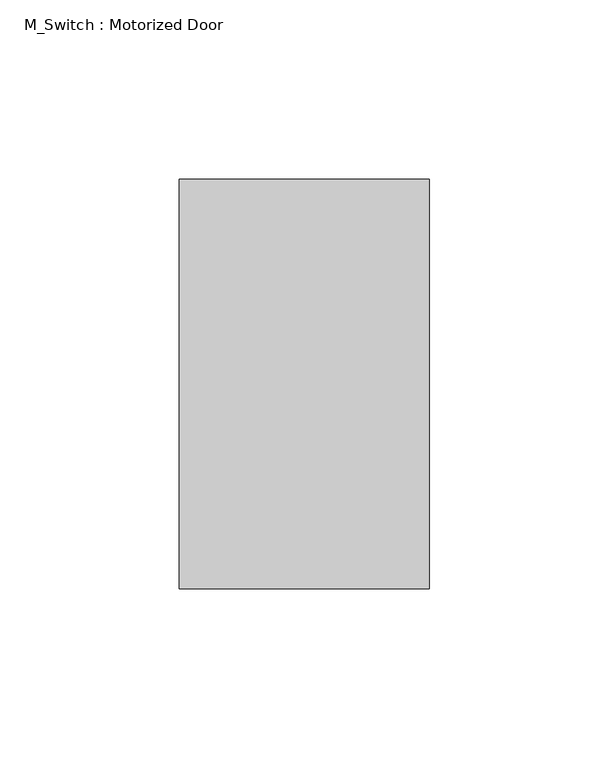
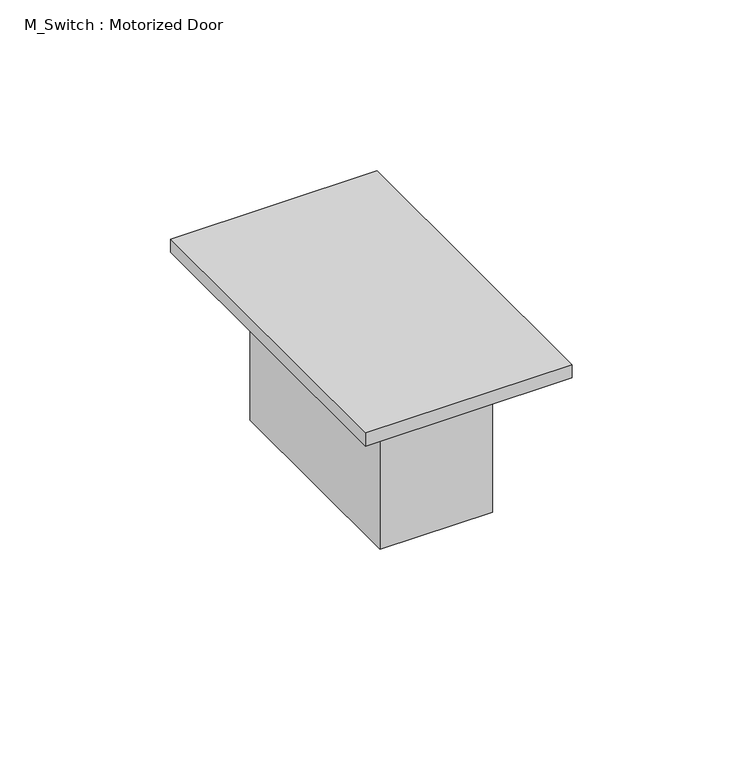
"""IFC4 building model written with IfcOpenShell, lengths in millimetres: proxy geometry, M_Switch : Motorized Door."""

import ifcopenshell
import ifcopenshell.guid

model = None  # the IFC model being written
_history = None  # IfcOwnerHistory: only IFC2X3 demands one
_inside = {}  # id of a spatial element -> (the spatial element, [elements in it])
_under = {}  # id of a project, library or spatial element -> (it, [spatial elements below it])
_declared = {}  # id of a project -> (the project, [libraries it declares])
_typed = {}  # id of a type object -> (the type object, [elements of that type])
_made_of = {}  # id of a material, layer set ... -> (it, [elements and type objects made of it])


def new_model(schema):
    """Start an empty IFC model of exactly this schema.

    Asked for "IFC4X3", IfcOpenShell would pick the latest addendum, in which some entities
    have other attributes; the version numbers below select the first issue.
    IFC2X3 requires an IfcOwnerHistory on every rooted entity: one is made here for all.
    """
    global model, _history
    if schema == "IFC4X3":
        model = ifcopenshell.file(schema_version=(4, 3, 0, 0))
    else:
        model = ifcopenshell.file(schema=schema)
    _inside.clear()
    _under.clear()
    _declared.clear()
    _typed.clear()
    _made_of.clear()
    _history = None
    if model.schema == "IFC2X3":
        org = make("IfcOrganization", Name="unknown")
        user = make(
            "IfcPersonAndOrganization",
            ThePerson=make("IfcPerson", FamilyName="unknown"),
            TheOrganization=org,
        )
        app = make(
            "IfcApplication",
            ApplicationDeveloper=org,
            Version="unknown",
            ApplicationFullName="unknown",
            ApplicationIdentifier="unknown",
        )
        _history = make(
            "IfcOwnerHistory",
            OwningUser=user,
            OwningApplication=app,
            ChangeAction="ADDED",
            CreationDate=0,
        )
    return model


def make(cls, **values):
    """One entity of the class cls with the attributes given. An attribute that is None is left unset."""
    return model.create_entity(
        cls, **{name: value for name, value in values.items() if value is not None}
    )


def rooted(cls, **values):
    """An entity with a GlobalId (a new one), such as an element, a storey or a relation."""
    return make(cls, GlobalId=ifcopenshell.guid.new(), OwnerHistory=_history, **values)


def si_unit(unit_type, name, prefix=None):
    """IfcSIUnit, for example si_unit("LENGTHUNIT", "METRE", prefix="MILLI")."""
    return make("IfcSIUnit", UnitType=unit_type, Prefix=prefix, Name=name)


def assignment(units):
    """IfcUnitAssignment: the units of a project."""
    return None if units is None else make("IfcUnitAssignment", Units=units)


def point(xyz):
    """IfcCartesianPoint."""
    return None if xyz is None else make("IfcCartesianPoint", Coordinates=xyz)


def direction(xyz):
    """IfcDirection."""
    return None if xyz is None else make("IfcDirection", DirectionRatios=xyz)


def frame(location, z_axis=None, x_axis=None):
    """IfcAxis2Placement3D, a coordinate frame: its origin and axes. An axis left out is left unset."""
    return make(
        "IfcAxis2Placement3D",
        Location=point(location),
        Axis=direction(z_axis),
        RefDirection=direction(x_axis),
    )


def origin():
    """The frame at (0, 0, 0) with its axes left unset."""
    return frame((0.0, 0.0, 0.0))


def origin_with_axes():
    """The frame at (0, 0, 0) with the z axis (0, 0, 1) and the x axis (1, 0, 0) written out."""
    return frame((0.0, 0.0, 0.0), z_axis=(0.0, 0.0, 1.0), x_axis=(1.0, 0.0, 0.0))


def place(relative_to, where):
    """IfcLocalPlacement: puts the frame where relative to a parent placement (None: the world)."""
    return make(
        "IfcLocalPlacement", PlacementRelTo=relative_to, RelativePlacement=where
    )


def context(
    kind, dimensions, precision=None, world=None, true_north=None, identifier=None
):
    """IfcGeometricRepresentationContext, for example the 3D "Model" context."""
    return make(
        "IfcGeometricRepresentationContext",
        ContextIdentifier=identifier,
        ContextType=kind,
        CoordinateSpaceDimension=dimensions,
        Precision=precision,
        WorldCoordinateSystem=world,
        TrueNorth=true_north,
    )


def project(units=None, contexts=None):
    """IfcProject with its units and contexts."""
    return rooted(
        "IfcProject",
        Name="project",
        RepresentationContexts=contexts,
        UnitsInContext=assignment(units),
    )


def spatial(cls, under=None, at=None, **own):
    """A site, building, storey or space (cls), placed at a placement, below another one or the project."""
    s = rooted(cls, ObjectPlacement=at, **own)
    if under is not None:
        _under.setdefault(under.id(), (under, []))[1].append(s)
    return s


def polyline(points):
    """IfcPolyline through the points."""
    return make("IfcPolyline", Points=[point(p) for p in points])


def outline(outer, holes=None, kind="AREA"):
    """IfcArbitraryClosedProfileDef: a profile drawn as a closed curve; with holes, ...WithVoids."""
    if holes is None:
        return make("IfcArbitraryClosedProfileDef", ProfileType=kind, OuterCurve=outer)
    return make(
        "IfcArbitraryProfileDefWithVoids",
        ProfileType=kind,
        OuterCurve=outer,
        InnerCurves=holes,
    )


def extrude(swept, where, along, depth):
    """IfcExtrudedAreaSolid: the profile swept, set in the frame where, extruded along a direction by depth."""
    return make(
        "IfcExtrudedAreaSolid",
        SweptArea=swept,
        Position=where,
        ExtrudedDirection=direction(along),
        Depth=depth,
    )


def shape(context_of_items, identifier, shape_type, items):
    """IfcShapeRepresentation: the items that make up one representation, for example the "Body"."""
    return make(
        "IfcShapeRepresentation",
        ContextOfItems=context_of_items,
        RepresentationIdentifier=identifier,
        RepresentationType=shape_type,
        Items=items,
    )


def source(mapping_origin, context_of_items, identifier, shape_type, items):
    """IfcRepresentationMap: a shape defined once, which mapped items show again and again."""
    return make(
        "IfcRepresentationMap",
        MappingOrigin=mapping_origin,
        MappedRepresentation=shape(context_of_items, identifier, shape_type, items),
    )


def transform(
    local_origin,
    x_axis=None,
    y_axis=None,
    z_axis=None,
    scale=None,
    scale2=None,
    scale3=None,
    uniform=True,
):
    """IfcCartesianTransformationOperator3D, or its non-uniform kind. x_axis, y_axis, z_axis: its Axis1, 2, 3."""
    if uniform:
        return make(
            "IfcCartesianTransformationOperator3D",
            Axis1=direction(x_axis),
            Axis2=direction(y_axis),
            LocalOrigin=point(local_origin),
            Scale=scale,
            Axis3=direction(z_axis),
        )
    return make(
        "IfcCartesianTransformationOperator3DnonUniform",
        Axis1=direction(x_axis),
        Axis2=direction(y_axis),
        LocalOrigin=point(local_origin),
        Scale=scale,
        Axis3=direction(z_axis),
        Scale2=scale2,
        Scale3=scale3,
    )


def mapped(mapping_source, mapping_target):
    """IfcMappedItem: shows the shape of a source again, moved by a transform."""
    return make(
        "IfcMappedItem", MappingSource=mapping_source, MappingTarget=mapping_target
    )


def made_of(thing, what):
    """Note that an element or type object is made of a material, layer set ...; save() writes the relation."""
    if what is not None:
        _made_of.setdefault(what.id(), (what, []))[1].append(thing)
    return thing


def element(
    cls,
    number,
    at=None,
    inside=None,
    cuts=None,
    type_object=None,
    material=None,
    context=None,
    identifier="Body",
    shape_type=None,
    held_by="IfcProductDefinitionShape",
    body=None,
    shapes=None,
    **own,
):
    """One element of the class cls, such as IfcWall. Its Tag is "e" and its number.

    at: its placement. inside: the storey or other place that contains it. cuts: it is an
    opening in that element (IfcRelVoidsElement). A single representation is given by context,
    identifier, shape_type and body (its items); several are given by shapes. held_by: the class
    of the entity that holds the representations. save() writes the other relations.
    """
    e = rooted(cls, Tag="e%d" % number, ObjectPlacement=at, **own)
    if body is not None:
        shapes = [shape(context, identifier, shape_type, body)]
    if shapes is not None:
        e.Representation = make(held_by, Representations=shapes)
    if inside is not None:
        _inside.setdefault(inside.id(), (inside, []))[1].append(e)
    if cuts is not None:
        rooted(
            "IfcRelVoidsElement", RelatingBuildingElement=cuts, RelatedOpeningElement=e
        )
    if type_object is not None:
        _typed.setdefault(type_object.id(), (type_object, []))[1].append(e)
    return made_of(e, material)


def aggregate(whole, parts):
    """IfcRelAggregates: a whole, such as a stair, and the parts it consists of."""
    return rooted("IfcRelAggregates", RelatingObject=whole, RelatedObjects=parts)


def save(model, path):
    """Write the relations noted so far, then the file.

    IfcRelAggregates (storeys below a building ...), IfcRelContainedInSpatialStructure (elements
    in a storey), IfcRelDefinesByType, IfcRelAssociatesMaterial and IfcRelDeclares: one each for
    every whole, place, type object, material and project.
    """
    for whole, parts in _under.values():
        aggregate(whole, parts)
    for where, things in _inside.values():
        rooted(
            "IfcRelContainedInSpatialStructure",
            RelatedElements=things,
            RelatingStructure=where,
        )
    for kind, things in _typed.values():
        rooted("IfcRelDefinesByType", RelatedObjects=things, RelatingType=kind)
    for what, things in _made_of.values():
        rooted("IfcRelAssociatesMaterial", RelatedObjects=things, RelatingMaterial=what)
    for by, libraries in _declared.values():
        rooted("IfcRelDeclares", RelatingContext=by, RelatedDefinitions=libraries)
    model.write(path)


def m_switch_motorized_door_10251bba(model_context):
    return source(origin(), model_context, "Body", "SweptSolid", [
        extrude(outline(polyline([(19.05, 38.1), (19.05, -38.1), (-19.05, -38.1), (-19.05, 38.1), (19.05, 38.1)])), frame((0.0, 0.0, -53.975), z_axis=(0.0, 0.0, 1.0), x_axis=(1.0, 0.0, 0.0)), (0.0, 0.0, 1.0), 53.975),
        extrude(outline(polyline([(34.925, 57.15), (34.925, -57.15), (-34.925, -57.15), (-34.925, 57.15), (34.925, 57.15)])), origin_with_axes(), (0.0, 0.0, 1.0), 4.7625),
    ])


if __name__ == "__main__":
    model = new_model("IFC4")
    model_context = context("Model", 3, world=origin())
    ifc_project = project(units=[si_unit("LENGTHUNIT", "METRE", prefix="MILLI")], contexts=[model_context])
    site = spatial("IfcSite", under=ifc_project)
    building = spatial("IfcBuilding", under=site)
    placement = place(None, origin())
    m_switch_motorized_door_shape = m_switch_motorized_door_10251bba(model_context)
    element("IfcBuildingElementProxy", 1, Name="M_Switch : Motorized Door", ObjectType="M_Switch : Motorized Door", at=placement, inside=building, context=model_context, shape_type="MappedRepresentation", body=[
        mapped(m_switch_motorized_door_shape, transform((0.0, 0.0, 0.0), x_axis=(1.0, 0.0, 0.0), y_axis=(0.0, 1.0, 0.0), z_axis=(0.0, 0.0, 1.0))),
    ])
    save(model, "model.ifc")
